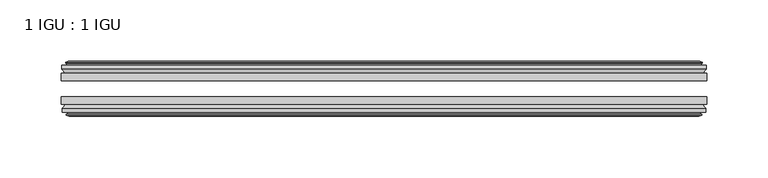
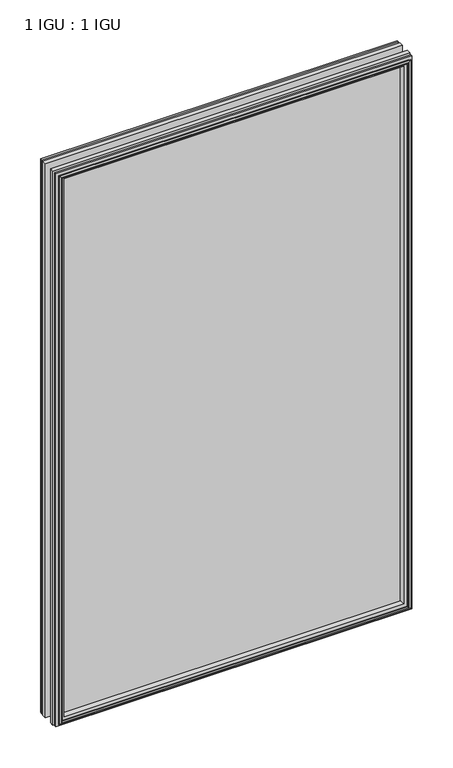
"""IFC4 building model written with IfcOpenShell, lengths in millimetres: plate geometry, 1 IGU : 1 IGU."""

from ifc_helpers import new_model, si_unit, frame, origin, place, context, project, spatial, polyline, outline, extrude, faceted_brep, source, transform, mapped, element, save


def plate_1_igu_1_igu_6980a7b2(model_context):
    return source(origin(), model_context, "Body", "SolidModel", [
        extrude(outline(polyline([(263.5250001, -19.5460937), (263.5250001, -25.8960938), (-263.5250001, -25.8960938), (-263.5250001, -19.5460937), (263.5250001, -19.5460937)])), frame((0.0, 0.0, -12.7), z_axis=(0.0, 0.0, 1.0), x_axis=(1.0, 0.0, 0.0)), (0.0, 0.0, 1.0), 863.6104046),
        extrude(outline(polyline([(-263.5250001, -44.9460938), (-263.5250001, -38.9186737), (263.5250001, -38.9186737), (263.5250001, -44.9460938), (-263.5250001, -44.9460938)])), frame((0.0, 0.0, -12.7), z_axis=(0.0, 0.0, 1.0), x_axis=(1.0, 0.0, 0.0)), (0.0, 0.0, 1.0), 863.6104046),
        faceted_brep([(-257.9370001, -53.6762907, 845.3224046), (-258.3180001, -51.2960937, 845.7034046), (-258.3180001, -51.2960937, -7.493), (-257.9370001, -53.6762907, -7.112), (-259.3525292, -53.2163575, 846.7379337), (-259.3525292, -53.2163575, -8.5275291), (-259.3525292, -54.0175717, 846.7379337), (-259.3525292, -54.0175717, -8.5275291), (-257.1750001, -54.7250937, 844.5604046), (-257.1750001, -54.7250937, -6.35), (-254.9974711, -54.0175717, 842.3828756), (-254.9974711, -54.0175717, -4.1724709), (-254.9974711, -53.2163575, 842.3828756), (-254.9974711, -53.2163575, -4.1724709), (-256.4130001, -53.6762907, 843.7984046), (-256.4130001, -53.6762907, -5.588), (-256.0320001, -51.2960937, 843.4174046), (-256.0320001, -51.2960937, -5.207), (-249.1072821, -44.9460937, 836.4926865), (-250.8250001, -51.2960937, 838.2104046), (-250.8250001, -51.2960937, 0.0), (-249.1072821, -44.9460937, 1.7177181), (-262.7630001, -48.3496937, 850.1484046), (-259.928658, -44.9460937, 847.3140624), (-259.928658, -44.9460937, -9.1036578), (-262.7630001, -48.3496937, -11.938), (-262.7630001, -51.2960937, 850.1484046), (-262.7630001, -51.2960937, -11.938), (258.3180001, -51.2960938, -7.493), (257.9370001, -53.6762907, -7.112), (259.3525292, -53.2163575, -8.5275291), (259.3525292, -54.0175717, -8.5275291), (257.1750001, -54.7250937, -6.35), (254.9974711, -54.0175717, -4.1724709), (254.9974711, -53.2163575, -4.1724709), (256.4130001, -53.6762907, -5.588), (256.0320001, -51.2960937, -5.207), (250.8250001, -51.2960937, 0.0), (249.1072821, -44.9460937, 1.7177181), (259.928658, -44.9460937, -9.1036578), (262.7630001, -48.3496937, -11.938), (262.7630001, -51.2960938, -11.938), (258.3180001, -51.2960938, 845.7034046), (257.9370001, -53.6762907, 845.3224046), (259.3525292, -53.2163575, 846.7379337), (259.3525292, -54.0175717, 846.7379337), (257.1750001, -54.7250937, 844.5604046), (254.9974711, -54.0175717, 842.3828756), (254.9974711, -53.2163575, 842.3828756), (256.4130001, -53.6762907, 843.7984046), (256.0320001, -51.2960937, 843.4174046), (250.8250001, -51.2960937, 838.2104046), (249.1072821, -44.9460937, 836.4926865), (259.928658, -44.9460937, 847.3140624), (262.7630001, -48.3496937, 850.1484046), (262.7630001, -51.2960938, 850.1484046)], [[[0, 1, 2, 3]], [[4, 0, 3, 5]], [[6, 4, 5, 7]], [[8, 6, 7, 9]], [[10, 8, 9, 11]], [[12, 10, 11, 13]], [[14, 12, 13, 15]], [[16, 14, 15, 17]], [[18, 19, 20, 21]], [[22, 23, 24, 25]], [[26, 22, 25, 27]], [[3, 2, 28, 29]], [[5, 3, 29, 30]], [[7, 5, 30, 31]], [[9, 7, 31, 32]], [[11, 9, 32, 33]], [[13, 11, 33, 34]], [[15, 13, 34, 35]], [[17, 15, 35, 36]], [[21, 20, 37, 38]], [[25, 24, 39, 40]], [[27, 25, 40, 41]], [[29, 28, 42, 43]], [[30, 29, 43, 44]], [[31, 30, 44, 45]], [[32, 31, 45, 46]], [[33, 32, 46, 47]], [[34, 33, 47, 48]], [[35, 34, 48, 49]], [[36, 35, 49, 50]], [[38, 37, 51, 52]], [[40, 39, 53, 54]], [[41, 40, 54, 55]], [[27, 41, 55, 26], [1, 42, 28, 2]], [[43, 42, 1, 0]], [[44, 43, 0, 4]], [[45, 44, 4, 6]], [[46, 45, 6, 8]], [[47, 46, 8, 10]], [[48, 47, 10, 12]], [[49, 48, 12, 14]], [[50, 49, 14, 16]], [[17, 36, 50, 16], [19, 51, 37, 20]], [[52, 51, 19, 18]], [[23, 53, 39, 24], [21, 38, 52, 18]], [[54, 53, 23, 22]], [[55, 54, 22, 26]]]),
        faceted_brep([(-260.449358, -19.5460937, 847.8347624), (-263.2837001, -16.1424937, 850.6691046), (-263.2837001, -16.1424937, -12.4587), (-260.449358, -19.5460937, -9.6243578), (-251.3457001, -13.1960937, 838.7311046), (-249.6279821, -19.5460937, 837.0133865), (-249.6279821, -19.5460937, 1.1970181), (-251.3457001, -13.1960937, -0.5207), (-256.9337001, -10.8158968, 844.3191046), (-256.5527001, -13.1960937, 843.9381046), (-256.5527001, -13.1960937, -5.7277), (-256.9337001, -10.8158968, -6.1087), (-255.5181711, -11.27583, 842.9035756), (-255.5181711, -11.27583, -4.6931709), (-255.5181711, -10.4746158, 842.9035756), (-255.5181711, -10.4746158, -4.6931709), (-257.6957001, -9.7670937, 845.0811046), (-257.6957001, -9.7670937, -6.8707), (-259.8732292, -10.4746158, 847.2586337), (-259.8732292, -10.4746158, -9.0482291), (-259.8732292, -11.27583, 847.2586337), (-259.8732292, -11.27583, -9.0482291), (-258.4577001, -10.8158968, 845.8431046), (-258.4577001, -10.8158968, -7.6327), (-258.8387001, -13.1960937, 846.2241046), (-258.8387001, -13.1960937, -8.0137), (-263.2837001, -13.1960937, 850.6691046), (-263.2837001, -13.1960937, -12.4587), (263.2837001, -16.1424937, -12.4587), (260.449358, -19.5460937, -9.6243578), (249.6279821, -19.5460937, 1.1970181), (251.3457001, -13.1960937, -0.5207), (256.5527001, -13.1960937, -5.7277), (256.9337001, -10.8158968, -6.1087), (255.5181711, -11.27583, -4.6931709), (255.5181711, -10.4746158, -4.6931709), (257.6957001, -9.7670937, -6.8707), (259.8732292, -10.4746158, -9.0482291), (259.8732292, -11.27583, -9.0482291), (258.4577001, -10.8158968, -7.6327), (258.8387001, -13.1960937, -8.0137), (263.2837001, -13.1960937, -12.4587), (263.2837001, -16.1424937, 850.6691046), (260.449358, -19.5460937, 847.8347624), (249.6279821, -19.5460937, 837.0133865), (251.3457001, -13.1960937, 838.7311046), (256.5527001, -13.1960937, 843.9381046), (256.9337001, -10.8158968, 844.3191046), (255.5181711, -11.27583, 842.9035756), (255.5181711, -10.4746158, 842.9035756), (257.6957001, -9.7670937, 845.0811046), (259.8732292, -10.4746158, 847.2586337), (259.8732292, -11.27583, 847.2586337), (258.4577001, -10.8158968, 845.8431046), (258.8387001, -13.1960937, 846.2241046), (263.2837001, -13.1960937, 850.6691046)], [[[0, 1, 2, 3]], [[4, 5, 6, 7]], [[8, 9, 10, 11]], [[12, 8, 11, 13]], [[14, 12, 13, 15]], [[16, 14, 15, 17]], [[18, 16, 17, 19]], [[20, 18, 19, 21]], [[22, 20, 21, 23]], [[24, 22, 23, 25]], [[1, 26, 27, 2]], [[3, 2, 28, 29]], [[7, 6, 30, 31]], [[11, 10, 32, 33]], [[13, 11, 33, 34]], [[15, 13, 34, 35]], [[17, 15, 35, 36]], [[19, 17, 36, 37]], [[21, 19, 37, 38]], [[23, 21, 38, 39]], [[25, 23, 39, 40]], [[2, 27, 41, 28]], [[29, 28, 42, 43]], [[31, 30, 44, 45]], [[33, 32, 46, 47]], [[34, 33, 47, 48]], [[35, 34, 48, 49]], [[36, 35, 49, 50]], [[37, 36, 50, 51]], [[38, 37, 51, 52]], [[39, 38, 52, 53]], [[40, 39, 53, 54]], [[28, 41, 55, 42]], [[43, 42, 1, 0]], [[3, 29, 43, 0], [5, 44, 30, 6]], [[45, 44, 5, 4]], [[9, 46, 32, 10], [7, 31, 45, 4]], [[47, 46, 9, 8]], [[48, 47, 8, 12]], [[49, 48, 12, 14]], [[50, 49, 14, 16]], [[51, 50, 16, 18]], [[52, 51, 18, 20]], [[53, 52, 20, 22]], [[54, 53, 22, 24]], [[26, 55, 41, 27], [25, 40, 54, 24]], [[42, 55, 26, 1]]]),
    ])


if __name__ == "__main__":
    model = new_model("IFC4")
    model_context = context("Model", 3, world=origin())
    ifc_project = project(units=[si_unit("LENGTHUNIT", "METRE", prefix="MILLI")], contexts=[model_context])
    site = spatial("IfcSite", under=ifc_project)
    building = spatial("IfcBuilding", under=site)
    placement = place(None, origin())
    plate_1_igu_1_igu_shape = plate_1_igu_1_igu_6980a7b2(model_context)
    element("IfcPlate", 1, ObjectType="1 IGU : 1 IGU", at=placement, inside=building, context=model_context, shape_type="MappedRepresentation", body=[
        mapped(plate_1_igu_1_igu_shape, transform((0.0, 0.0, 0.0), x_axis=(1.0, 0.0, 0.0), y_axis=(0.0, 1.0, 0.0), z_axis=(0.0, 0.0, 1.0))),
    ])
    save(model, "model.ifc")
